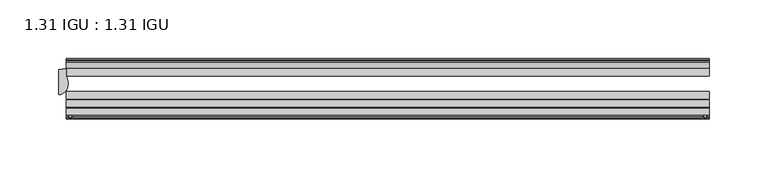
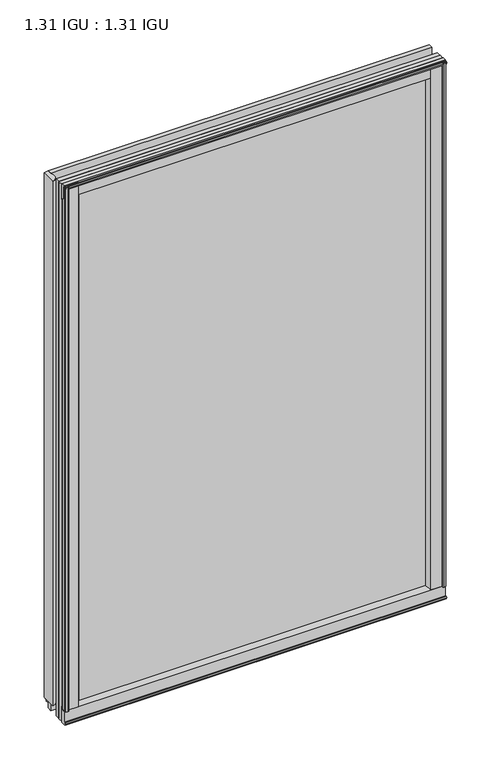
"""IFC4 building model written with IfcOpenShell, lengths in millimetres: plate geometry, 1.31 IGU : 1.31 IGU."""

from ifc_helpers import new_model, si_unit, point, frame, frame_2d, origin, origin_with_axes, place, context, project, spatial, polyline, circle_curve, ellipse_curve, trimmed, segment, composite_curve, outline, extrude, source, transform, mapped, element, save
from ifc_brep_helpers import plane_surface, cylinder_surface, revolved_surface, extruded_surface, advanced_brep


def plate_1_31_igu_1_31_igu_2653fae0(model_context):
    return source(origin(), model_context, "Body", "SolidModel", [
        extrude(outline(composite_curve([segment(polyline([(265.1245906, -57.6333938), (248.9398437, -57.6333938)]), True, "CONTINUOUS"), segment(trimmed(circle_curve(frame_2d((241.6451146, -57.6547678)), 7.2947605), [point((248.9398437, -57.6333938))], [point((245.1974551, -51.2833938))], True, "CARTESIAN"), True, "CONTINUOUS"), segment(polyline([(245.1974551, -51.2833938), (268.067876, -51.2833938)]), True, "CONTINUOUS"), segment(trimmed(circle_curve(frame_2d((268.067876, -52.0707938)), 0.7874), [point((268.067876, -51.2833938))], [point((268.8494069, -51.9748338))], False, "CARTESIAN"), True, "CONTINUOUS"), segment(polyline([(268.8494069, -51.9748338), (269.5441906, -57.6333938), (267.6137906, -57.6333938), (267.1565906, -59.624458), (268.1579525, -59.3561439), (268.4011906, -60.263921), (266.3691906, -60.8083938), (264.3371906, -60.263921), (264.5804288, -59.3561439), (265.5817906, -59.624458), (265.1245906, -57.6333938)]), True, "CONTINUOUS")], self_intersect=False)), origin_with_axes(), (0.0, 0.0, 1.0), 793.75),
        extrude(outline(composite_curve([segment(polyline([(-255.5875, -57.6333937), (-271.7722469, -57.6333937), (-272.2294469, -59.624458), (-271.228085, -59.3561439), (-270.9848469, -60.263921), (-273.0168469, -60.8083937), (-275.0488469, -60.263921), (-274.8056088, -59.3561439), (-273.8042469, -59.624458), (-274.2614469, -57.6333937), (-276.1918469, -57.6333937), (-275.4970631, -51.9748338)]), True, "CONTINUOUS"), segment(trimmed(circle_curve(frame_2d((-274.7155323, -52.0707937)), 0.7874), [point((-275.4970631, -51.9748338))], [point((-274.7155323, -51.2833937))], False, "CARTESIAN"), True, "CONTINUOUS"), segment(polyline([(-274.7155323, -51.2833937), (-251.8451114, -51.2833937)]), True, "CONTINUOUS"), segment(trimmed(circle_curve(frame_2d((-248.2927708, -57.6547678)), 7.2947605), [point((-251.8451114, -51.2833937))], [point((-255.5875, -57.6333937))], True, "CARTESIAN"), True, "CONTINUOUS")], self_intersect=False)), origin_with_axes(), (0.0, 0.0, 1.0), 793.75),
        extrude(outline(polyline([(-9.7543937, -6.8579998), (-10.4009552, -9.2709998), (-11.2596632, -9.0409097), (-10.8839895, -7.6388763), (-13.1833937, -8.3819998), (-13.1833937, -11.7850089), (-17.9585937, -10.1533914), (-17.9585937, 0.6595133), (-13.1833937, -0.5079998), (-13.1833937, -5.4609998), (-10.8839895, -6.0771233), (-11.2596632, -4.6750899), (-10.4009552, -4.4449998), (-9.7543937, -6.8579998)])), frame((-276.225, 0.0, 0.0), z_axis=(1.0, 0.0, 0.0), x_axis=(0.0, 1.0, 0.0)), (0.0, 0.0, 1.0), 545.8023437),
        extrude(outline(composite_curve([segment(polyline([(-51.9748338, -19.930016), (-57.6333937, -20.6247998), (-57.6333937, -18.6943998), (-59.624458, -18.2371998), (-59.3561439, -19.2385617), (-60.263921, -19.4817998), (-60.8083937, -17.4497998), (-60.263921, -15.4177998), (-59.3561439, -15.6610379), (-59.624458, -16.6623998), (-57.6333937, -16.2051998), (-57.6333937, 0.0127002)]), True, "CONTINUOUS"), segment(trimmed(circle_curve(frame_2d((-58.1588233, 7.9620141)), 7.9666598), [point((-57.6333937, 0.0127002))], [point((-51.2833937, 3.9375717))], True, "CARTESIAN"), True, "CONTINUOUS"), segment(polyline([(-51.2833937, 3.9375717), (-51.2833937, -19.1484852)]), True, "CONTINUOUS"), segment(trimmed(circle_curve(frame_2d((-52.0707937, -19.1484852)), 0.7874), [point((-51.2833937, -19.1484852))], [point((-51.9748338, -19.930016))], False, "CARTESIAN"), True, "CONTINUOUS")], self_intersect=False)), frame((-276.225, 0.0, 0.0), z_axis=(1.0, 0.0, 0.0), x_axis=(0.0, 1.0, 0.0)), (0.0, 0.0, 1.0), 545.8023437),
        extrude(outline(polyline([(-17.9585937, 784.8533914), (-13.1833937, 786.4850089), (-13.1833937, 783.0819998), (-10.8839895, 782.3388763), (-11.2596632, 783.7409097), (-10.4009552, 783.9709998), (-9.7543937, 781.5579998), (-10.4009552, 779.1449998), (-11.2596632, 779.3750899), (-10.8839895, 780.7771233), (-13.1833937, 780.1609998), (-13.1833937, 775.2079998), (-17.9585937, 774.0404867), (-17.9585937, 784.8533914)])), frame((-276.225, 0.0, 0.0), z_axis=(1.0, 0.0, 0.0), x_axis=(0.0, 1.0, 0.0)), (0.0, 0.0, 1.0), 545.8023437),
        extrude(outline(composite_curve([segment(trimmed(circle_curve(frame_2d((-52.0707937, 793.8484852)), 0.7874), [point((-51.9748338, 794.630016))], [point((-51.2833937, 793.8484852))], False, "CARTESIAN"), True, "CONTINUOUS"), segment(polyline([(-51.2833937, 793.8484852), (-51.2833937, 770.7624283)]), True, "CONTINUOUS"), segment(trimmed(circle_curve(frame_2d((-58.1588233, 766.7379859)), 7.9666598), [point((-51.2833937, 770.7624283))], [point((-57.6333937, 774.6872998))], True, "CARTESIAN"), True, "CONTINUOUS"), segment(polyline([(-57.6333937, 774.6872998), (-57.6333937, 790.9051998), (-59.624458, 791.3623998), (-59.3561439, 790.3610379), (-60.263921, 790.1177998), (-60.8083937, 792.1497998), (-60.263921, 794.1817998), (-59.3561439, 793.9385617), (-59.624458, 792.9371998), (-57.6333937, 793.3943998), (-57.6333937, 795.3247998), (-51.9748338, 794.630016)]), True, "CONTINUOUS")], self_intersect=False)), frame((-276.225, 0.0, 0.0), z_axis=(1.0, 0.0, 0.0), x_axis=(0.0, 1.0, 0.0)), (0.0, 0.0, 1.0), 545.8023437),
        advanced_brep(
        [(-276.2122998, -24.3085938, 793.75), (-276.2122998, -17.9585937, 793.75), (-282.5622998, -18.9011397, 793.75), (-282.5622998, -40.2563586, 793.75), (-274.7534173, -31.0522937, 793.75), (-276.2122998, -24.3085938, 0.0), (-274.7534173, -31.0522937, 0.0), (-282.5622998, -40.2563586, 0.0), (-282.5622998, -18.9011397, 0.0), (-276.2122998, -17.9585937, 0.0)],
        [
            (0, 1),
            (1, 2, circle_curve(frame((-282.5622998, 2.9603377, 793.75), z_axis=(0.0, 0.0, -1.0), x_axis=(0.0, 1.0, 0.0)), 21.8614773)),
            (2, 3),
            (3, 4, ellipse_curve(frame((-282.5622998, -31.0522937, 793.75), z_axis=(0.0, 0.0, 1.0), x_axis=(0.0, -1.0, 0.0)), 9.2040648, 7.8088825)),
            (4, 0, circle_curve(frame((-291.0692711, -31.0522937, 793.75), z_axis=(0.0, 0.0, 1.0), x_axis=(0.0, 1.0, 0.0)), 16.3158538)),
            (5, 6, circle_curve(frame((-291.0692711, -31.0522937, 0.0), z_axis=(0.0, 0.0, -1.0), x_axis=(0.0, 1.0, 0.0)), 16.3158538)),
            (6, 7, ellipse_curve(frame((-282.5622998, -31.0522937, 0.0), z_axis=(0.0, 0.0, -1.0), x_axis=(0.0, -1.0, 0.0)), 9.2040648, 7.8088825)),
            (7, 8),
            (8, 9, circle_curve(frame((-282.5622998, 2.9603377, 0.0), z_axis=(0.0, 0.0, 1.0), x_axis=(0.0, 1.0, 0.0)), 21.8614773)),
            (9, 5),
            (0, 5),
            (9, 1),
            (8, 2),
            (7, 3),
            (6, 4),
        ],
        [
            plane_surface(frame((-250.825, -11.6085937, 793.75), z_axis=(0.0, 0.0, 1.0), x_axis=(0.0, 1.0, 0.0))),
            plane_surface(frame((-250.825, -11.6085937, 0.0), z_axis=(0.0, 0.0, -1.0), x_axis=(0.0, 1.0, 0.0))),
            plane_surface(frame((-276.2122998, -24.3085938, 793.75), z_axis=(1.0, 0.0, 0.0), x_axis=(0.0, 0.0, -1.0))),
            revolved_surface(polyline([(-282.5622998, 24.821815, 0.0), (-282.5622998, 24.821815, 793.75)]), (-282.5622998, 2.9603377, 793.75), (0.0, 0.0, -1.0)),
            plane_surface(frame((-282.5622998, -18.9011397, 793.75), z_axis=(-1.0, 0.0, 0.0), x_axis=(0.0, 0.0, -1.0))),
            extruded_surface(trimmed(ellipse_curve(frame((-282.5622998, -31.0522937, 0.0), z_axis=(0.0, 0.0, 1.0), x_axis=(0.0, -1.0, 0.0)), 9.2040648, 7.8088825), [point((-282.5622998, -40.2563586, 0.0))], [point((-274.7534173, -31.0522937, 0.0))], True, "CARTESIAN"), (0.0, 0.0, 793.75), 793.75),
            cylinder_surface(frame((-291.0692711, -31.0522937, 793.75), z_axis=(0.0, 0.0, 1.0), x_axis=(0.0, 1.0, 0.0)), 16.3158538),
        ],
        [
            (0, [[1, 2, 3, 4, 5]]),
            (1, [[6, 7, 8, 9, 10]]),
            (2, [[-1, 11, -10, 12]]),
            (3, [[-2, -12, -9, 13]]),
            (4, [[-3, -13, -8, 14]]),
            (5, [[-4, -14, -7, 15]]),
            (6, [[-5, -15, -6, -11]]),
        ],
    ),
        extrude(outline(polyline([(258.4765765, -10.8839895), (259.2197, -13.1833937), (262.6227091, -13.1833937), (260.9910916, -17.9585937), (250.1781869, -17.9585937), (251.3457, -13.1833937), (256.2987, -13.1833937), (256.9148235, -10.8839895), (255.5127901, -11.2596632), (255.2827, -10.4009552), (257.6957, -9.7543937), (260.1087, -10.4009552), (259.8786099, -11.2596632), (258.4765765, -10.8839895)])), origin_with_axes(), (0.0, 0.0, 1.0), 774.7),
        extrude(outline(polyline([(269.5773437, -17.9585937), (269.5773437, -24.3085937), (-276.225, -24.3085937), (-276.225, -17.9585937), (269.5773437, -17.9585937)])), frame((0.0, 0.0, -19.0372998), z_axis=(0.0, 0.0, 1.0), x_axis=(1.0, 0.0, 0.0)), (0.0, 0.0, 1.0), 812.7872998),
        extrude(outline(polyline([(-276.225, -44.1459937), (-276.225, -37.7959937), (269.5773437, -37.7959937), (269.5773437, -44.1459937), (-276.225, -44.1459937)])), frame((0.0, 0.0, -19.0372998), z_axis=(0.0, 0.0, 1.0), x_axis=(1.0, 0.0, 0.0)), (0.0, 0.0, 1.0), 812.7872998),
        extrude(outline(polyline([(-276.225, -51.2833937), (-276.225, -44.9333937), (269.5773437, -44.9333937), (269.5773437, -51.2833937), (-276.225, -51.2833937)])), frame((0.0, 0.0, -19.0372998), z_axis=(0.0, 0.0, 1.0), x_axis=(1.0, 0.0, 0.0)), (0.0, 0.0, 1.0), 812.7872998),
    ])


if __name__ == "__main__":
    model = new_model("IFC4")
    model_context = context("Model", 3, world=origin())
    ifc_project = project(units=[si_unit("LENGTHUNIT", "METRE", prefix="MILLI")], contexts=[model_context])
    site = spatial("IfcSite", under=ifc_project)
    building = spatial("IfcBuilding", under=site)
    placement = place(None, origin())
    plate_1_31_igu_1_31_igu_shape = plate_1_31_igu_1_31_igu_2653fae0(model_context)
    element("IfcPlate", 1, ObjectType="1.31 IGU : 1.31 IGU", at=placement, inside=building, context=model_context, shape_type="MappedRepresentation", body=[
        mapped(plate_1_31_igu_1_31_igu_shape, transform((0.0, 0.0, 0.0), x_axis=(1.0, 0.0, 0.0), y_axis=(0.0, 1.0, 0.0), z_axis=(0.0, 0.0, 1.0))),
    ])
    save(model, "model.ifc")
